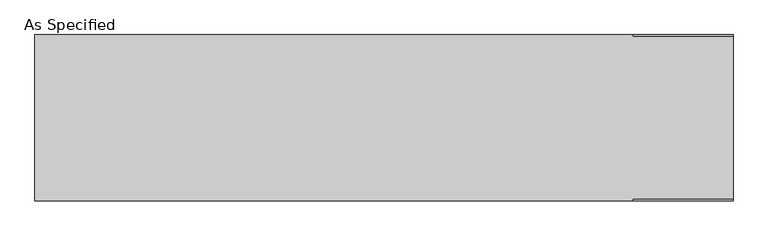
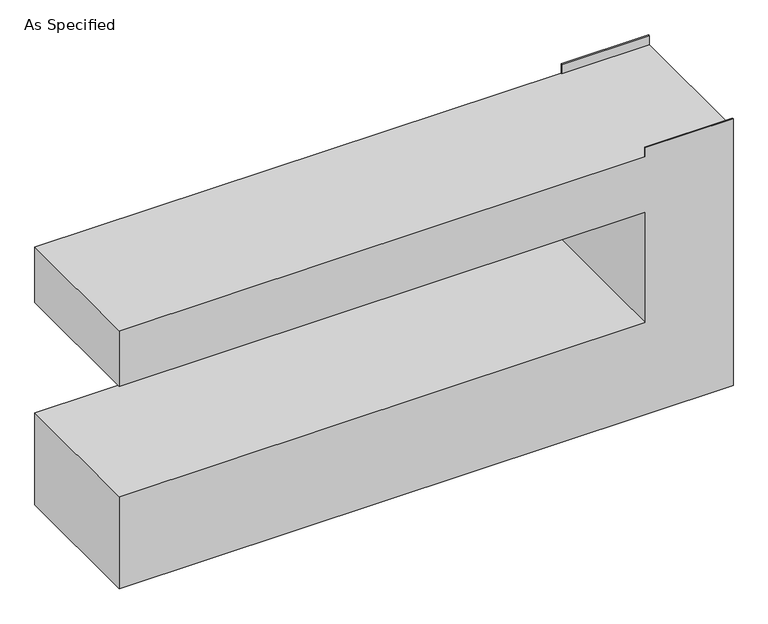
"""IFC4 building model written with IfcOpenShell, lengths in millimetres: proxy geometry, As Specified."""

from ifc_helpers import new_model, si_unit, origin, place, context, project, spatial, faceted_brep, source, transform, mapped, element, save


def as_specified_5bff2365(model_context):
    return source(origin(), model_context, "Body", "Brep", [
        faceted_brep([(-1600.2, 381.0, 1422.4), (-1600.2, -381.0, 1422.4), (1143.0, -381.0, 1422.4), (1143.0, -374.65, 1422.4), (1600.2, -374.65, 1422.4), (1600.2, 374.65, 1422.4), (1143.0, 374.65, 1422.4), (1143.0, 381.0, 1422.4), (1600.2, 381.0, 0.0), (1600.2, -381.0, 0.0), (-1600.2, -381.0, 0.0), (-1600.2, 381.0, 0.0), (-1600.2, 381.0, 508.0), (1143.0, 381.0, 508.0), (1143.0, 381.0, 1117.6), (-1600.2, 381.0, 1117.6), (1143.0, 381.0, 1473.2), (1600.2, 381.0, 1473.2), (-1600.2, -381.0, 1117.6), (-1600.2, -381.0, 508.0), (1600.2, -381.0, 1473.2), (1143.0, -381.0, 1473.2), (1143.0, -381.0, 1117.6), (1143.0, -381.0, 508.0), (1600.2, 374.65, 1473.2), (1600.2, -374.65, 1473.2), (1143.0, -374.65, 1473.2), (1143.0, 374.65, 1473.2)], [[[0, 1, 2, 3, 4, 5, 6, 7]], [[8, 9, 10, 11]], [[8, 11, 12, 13, 14, 15, 0, 7, 16, 17]], [[1, 0, 15, 18]], [[11, 10, 19, 12]], [[10, 9, 20, 21, 2, 1, 18, 22, 23, 19]], [[9, 8, 17, 24, 5, 4, 25, 20]], [[23, 13, 12, 19]], [[13, 23, 22, 14]], [[14, 22, 18, 15]], [[21, 26, 3, 2]], [[26, 21, 20, 25]], [[3, 26, 25, 4]], [[16, 7, 6, 27]], [[16, 27, 24, 17]], [[27, 6, 5, 24]]]),
    ])


if __name__ == "__main__":
    model = new_model("IFC4")
    model_context = context("Model", 3, world=origin())
    ifc_project = project(units=[si_unit("LENGTHUNIT", "METRE", prefix="MILLI")], contexts=[model_context])
    site = spatial("IfcSite", under=ifc_project)
    building = spatial("IfcBuilding", under=site)
    placement = place(None, origin())
    as_specified_shape = as_specified_5bff2365(model_context)
    element("IfcBuildingElementProxy", 1, Name="As Specified", ObjectType="As Specified", at=placement, inside=building, context=model_context, shape_type="MappedRepresentation", body=[
        mapped(as_specified_shape, transform((0.0, 0.0, 0.0), x_axis=(1.0, 0.0, 0.0), y_axis=(0.0, 1.0, 0.0), z_axis=(0.0, 0.0, 1.0))),
    ])
    save(model, "model.ifc")
